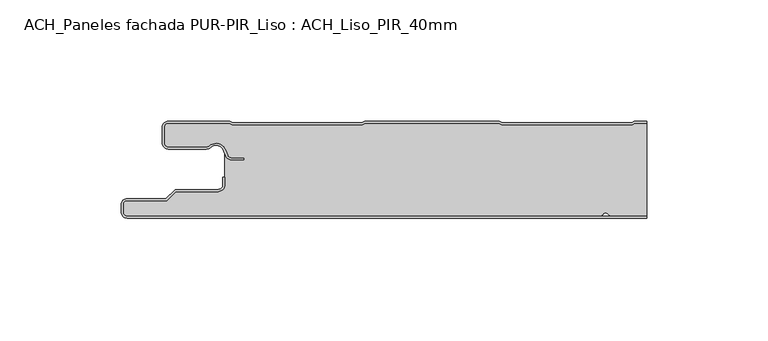
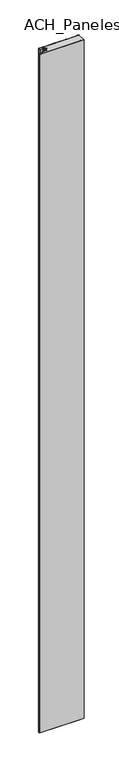
"""IFC4 building model written with IfcOpenShell, lengths in millimetres: plate geometry, ACH_Paneles fachada PUR-PIR_Liso : ACH_Liso_PIR_40mm."""

from ifc_helpers import new_model, si_unit, point, frame_2d, origin, origin_with_axes, place, context, project, spatial, polyline, circle_curve, trimmed, segment, composite_curve, outline, extrude, source, transform, mapped, element, save


def ach_paneles_fachada_pur_pir_liso_ach_liso_pir_40mm_9a53bae8(model_context):
    return source(origin(), model_context, "Body", "SweptSolid", [
        extrude(outline(composite_curve([segment(trimmed(circle_curve(frame_2d((-114.5, -37.5)), 2.5), [point((-114.5, -40.0))], [point((-117.0, -37.5))], False, "CARTESIAN"), True, "CONTINUOUS"), segment(polyline([(-117.0, -37.5), (-117.0, -34.5)]), True, "CONTINUOUS"), segment(trimmed(circle_curve(frame_2d((-114.5, -34.5)), 2.5), [point((-117.0, -34.5))], [point((-114.5, -32.0))], False, "CARTESIAN"), True, "CONTINUOUS"), segment(polyline([(-114.5, -32.0), (-98.5, -32.0), (-94.75, -28.25), (-77.0, -28.25)]), True, "CONTINUOUS"), segment(trimmed(circle_curve(frame_2d((-77.0, -26.25)), 2.0), [point((-77.0, -28.25))], [point((-75.0, -26.25))], True, "CARTESIAN"), True, "CONTINUOUS"), segment(polyline([(-75.0, -26.25), (-75.0, -23.25), (-74.2, -23.25), (-74.2, -26.25)]), True, "CONTINUOUS"), segment(trimmed(circle_curve(frame_2d((-77.0, -26.25)), 2.8), [point((-74.2, -26.25))], [point((-77.0, -29.05))], False, "CARTESIAN"), True, "CONTINUOUS"), segment(polyline([(-77.0, -29.05), (-94.4186292, -29.05), (-98.1686292, -32.8), (-114.5, -32.8)]), True, "CONTINUOUS"), segment(trimmed(circle_curve(frame_2d((-114.5, -34.5)), 1.7), [point((-114.5, -32.8))], [point((-116.2, -34.5))], True, "CARTESIAN"), True, "CONTINUOUS"), segment(polyline([(-116.2, -34.5), (-116.2, -37.5)]), True, "CONTINUOUS"), segment(trimmed(circle_curve(frame_2d((-114.5, -37.5)), 1.7), [point((-116.2, -37.5))], [point((-114.5, -39.2))], True, "CARTESIAN"), True, "CONTINUOUS"), segment(polyline([(-114.5, -39.2), (100.0, -39.2), (100.0, -40.0), (-114.5, -40.0)]), True, "CONTINUOUS")], self_intersect=False)), origin_with_axes(), (0.0, 0.0, 1.0), 3500.0),
        extrude(outline(composite_curve([segment(trimmed(circle_curve(frame_2d((-97.49499, -9.0180361)), 2.50501), [point((-97.49499, -11.5230461))], [point((-100.0, -9.0180361))], False, "CARTESIAN"), True, "CONTINUOUS"), segment(polyline([(-100.0, -9.0180361), (-100.0, -2.50501)]), True, "CONTINUOUS"), segment(trimmed(circle_curve(frame_2d((-97.49499, -2.50501)), 2.50501), [point((-100.0, -2.50501))], [point((-97.49499, 0.0))], False, "CARTESIAN"), True, "CONTINUOUS"), segment(polyline([(-97.49499, 0.0), (-72.2103007, 0.0), (-71.028188, -0.6012024), (-17.6391467, -0.6012024), (-16.457034, 0.0), (39.1223647, 0.0), (40.3044773, -0.6012024), (93.6935186, -0.6012024), (94.8756313, 0.0), (100.0, 0.0), (100.0, -0.8), (95.0673777, -0.8), (93.885265, -1.4012024), (40.112731, -1.4012024), (38.9306183, -0.8), (-16.2652876, -0.8), (-17.4474003, -1.4012024), (-71.2199344, -1.4012024), (-72.4020471, -0.8), (-97.49499, -0.8)]), True, "CONTINUOUS"), segment(trimmed(circle_curve(frame_2d((-97.49499, -2.50501)), 1.70501), [point((-97.49499, -0.8))], [point((-99.2, -2.50501))], True, "CARTESIAN"), True, "CONTINUOUS"), segment(polyline([(-99.2, -2.50501), (-99.2, -9.0180361)]), True, "CONTINUOUS"), segment(trimmed(circle_curve(frame_2d((-97.49499, -9.0180361)), 1.70501), [point((-99.2, -9.0180361))], [point((-97.49499, -10.7230461))], True, "CARTESIAN"), True, "CONTINUOUS"), segment(polyline([(-97.49499, -10.7230461), (-81.8173283, -10.7230461)]), True, "CONTINUOUS"), segment(trimmed(circle_curve(frame_2d((-81.8173283, -9.0180361)), 1.70501), [point((-81.8173283, -10.7230461))], [point((-80.6895701, -10.2967936))], True, "CARTESIAN"), True, "CONTINUOUS"), segment(trimmed(circle_curve(frame_2d((-77.8407481, -13.5270541)), 4.307014), [point((-80.6895701, -10.2967936))], [point((-73.7934788, -12.0539686))], False, "CARTESIAN"), True, "CONTINUOUS"), segment(polyline([(-73.7934788, -12.0539686), (-73.0450711, -14.1102019)]), True, "CONTINUOUS"), segment(trimmed(circle_curve(frame_2d((-71.4428858, -13.5270541)), 1.70501), [point((-73.0450711, -14.1102019))], [point((-71.4428858, -15.2320641))], True, "CARTESIAN"), True, "CONTINUOUS"), segment(polyline([(-71.4428858, -15.2320641), (-66.4328657, -15.2320641), (-66.4328657, -16.0320641), (-71.4428858, -16.0320641)]), True, "CONTINUOUS"), segment(trimmed(circle_curve(frame_2d((-71.4428858, -13.5270541)), 2.50501), [point((-71.4428858, -16.0320641))], [point((-73.7968252, -14.383818))], False, "CARTESIAN"), True, "CONTINUOUS"), segment(polyline([(-73.7968252, -14.383818), (-74.5452329, -12.3275847)]), True, "CONTINUOUS"), segment(trimmed(circle_curve(frame_2d((-77.8407481, -13.5270541)), 3.507014), [point((-74.5452329, -12.3275847))], [point((-80.1604199, -10.8967936))], True, "CARTESIAN"), True, "CONTINUOUS"), segment(trimmed(circle_curve(frame_2d((-81.8173283, -9.0180361)), 2.50501), [point((-80.1604199, -10.8967936))], [point((-81.8173283, -11.5230461))], False, "CARTESIAN"), True, "CONTINUOUS"), segment(polyline([(-81.8173283, -11.5230461), (-97.49499, -11.5230461)]), True, "CONTINUOUS")], self_intersect=False)), origin_with_axes(), (0.0, 0.0, 1.0), 3500.0),
        extrude(outline(composite_curve([segment(trimmed(circle_curve(frame_2d((85.5, -37.5)), 1.7), [point((85.5, -39.2))], [point((84.0845596, -38.4415563))], False, "CARTESIAN"), True, "CONTINUOUS"), segment(trimmed(circle_curve(frame_2d((83.0, -39.1630095)), 1.302599), [point((84.0845596, -38.4415563))], [point((81.9154404, -38.4415563))], True, "CARTESIAN"), True, "CONTINUOUS"), segment(trimmed(circle_curve(frame_2d((80.5, -37.5)), 1.7), [point((81.9154404, -38.4415563))], [point((80.5, -39.2))], False, "CARTESIAN"), True, "CONTINUOUS"), segment(polyline([(80.5, -39.2), (-114.5, -39.2)]), True, "CONTINUOUS"), segment(trimmed(circle_curve(frame_2d((-114.5, -37.5)), 1.7), [point((-114.5, -39.2))], [point((-116.2, -37.5))], False, "CARTESIAN"), True, "CONTINUOUS"), segment(polyline([(-116.2, -37.5), (-116.2, -34.5)]), True, "CONTINUOUS"), segment(trimmed(circle_curve(frame_2d((-114.5, -34.5)), 1.7), [point((-116.2, -34.5))], [point((-114.5, -32.8))], False, "CARTESIAN"), True, "CONTINUOUS"), segment(polyline([(-114.5, -32.8), (-98.1686292, -32.8), (-94.4186292, -29.05), (-77.0, -29.05)]), True, "CONTINUOUS"), segment(trimmed(circle_curve(frame_2d((-77.0, -26.25)), 2.8), [point((-77.0, -29.05))], [point((-74.2, -26.25))], True, "CARTESIAN"), True, "CONTINUOUS"), segment(polyline([(-74.2, -26.25), (-74.2, -11.2258973)]), True, "CONTINUOUS"), segment(trimmed(circle_curve(frame_2d((-77.8407481, -13.5270541)), 4.307014), [point((-74.2, -11.2258973))], [point((-80.6895701, -10.2967936))], True, "CARTESIAN"), True, "CONTINUOUS"), segment(trimmed(circle_curve(frame_2d((-81.8173283, -9.0180361)), 1.70501), [point((-80.6895701, -10.2967936))], [point((-81.8173283, -10.7230461))], False, "CARTESIAN"), True, "CONTINUOUS"), segment(polyline([(-81.8173283, -10.7230461), (-97.49499, -10.7230461)]), True, "CONTINUOUS"), segment(trimmed(circle_curve(frame_2d((-97.49499, -9.0180361)), 1.70501), [point((-97.49499, -10.7230461))], [point((-99.2, -9.0180361))], False, "CARTESIAN"), True, "CONTINUOUS"), segment(polyline([(-99.2, -9.0180361), (-99.2, -2.50501)]), True, "CONTINUOUS"), segment(trimmed(circle_curve(frame_2d((-97.49499, -2.50501)), 1.70501), [point((-99.2, -2.50501))], [point((-97.49499, -0.8))], False, "CARTESIAN"), True, "CONTINUOUS"), segment(polyline([(-97.49499, -0.8), (-72.4020471, -0.8), (-71.2199344, -1.4012024), (-17.4474003, -1.4012024), (-16.2652876, -0.8), (38.9306183, -0.8), (40.112731, -1.4012024), (93.885265, -1.4012024), (95.0673777, -0.8), (100.0, -0.8), (100.0, -39.2), (85.5, -39.2)]), True, "CONTINUOUS")], self_intersect=False)), origin_with_axes(), (0.0, 0.0, 1.0), 3500.0),
    ])


if __name__ == "__main__":
    model = new_model("IFC4")
    model_context = context("Model", 3, world=origin())
    ifc_project = project(units=[si_unit("LENGTHUNIT", "METRE", prefix="MILLI")], contexts=[model_context])
    site = spatial("IfcSite", under=ifc_project)
    building = spatial("IfcBuilding", under=site)
    placement = place(None, origin())
    ach_paneles_fachada_pur_pir_liso_ach_liso_pir_40mm_shape = ach_paneles_fachada_pur_pir_liso_ach_liso_pir_40mm_9a53bae8(model_context)
    element("IfcPlate", 1, ObjectType="ACH_Paneles fachada PUR-PIR_Liso : ACH_Liso_PIR_40mm", at=placement, inside=building, context=model_context, shape_type="MappedRepresentation", body=[
        mapped(ach_paneles_fachada_pur_pir_liso_ach_liso_pir_40mm_shape, transform((0.0, 0.0, 0.0), x_axis=(1.0, 0.0, 0.0), y_axis=(0.0, 1.0, 0.0), z_axis=(0.0, 0.0, 1.0))),
    ])
    save(model, "model.ifc")
